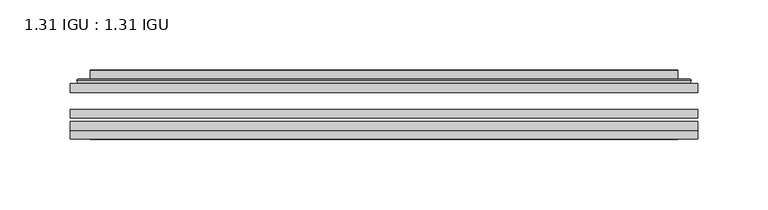
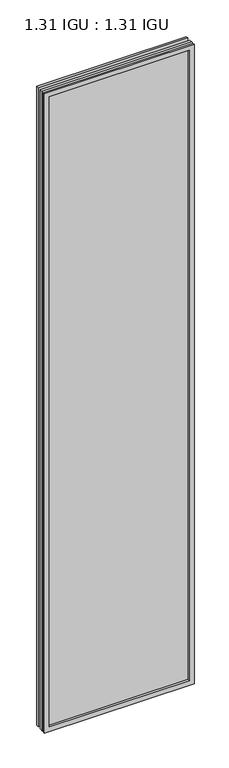
"""IFC4 building model written with IfcOpenShell, lengths in millimetres: plate geometry, 1.31 IGU : 1.31 IGU."""

import ifcopenshell
import ifcopenshell.guid

model = None  # the IFC model being written
_history = None  # IfcOwnerHistory: only IFC2X3 demands one
_inside = {}  # id of a spatial element -> (the spatial element, [elements in it])
_under = {}  # id of a project, library or spatial element -> (it, [spatial elements below it])
_declared = {}  # id of a project -> (the project, [libraries it declares])
_typed = {}  # id of a type object -> (the type object, [elements of that type])
_made_of = {}  # id of a material, layer set ... -> (it, [elements and type objects made of it])


def new_model(schema):
    """Start an empty IFC model of exactly this schema.

    Asked for "IFC4X3", IfcOpenShell would pick the latest addendum, in which some entities
    have other attributes; the version numbers below select the first issue.
    IFC2X3 requires an IfcOwnerHistory on every rooted entity: one is made here for all.
    """
    global model, _history
    if schema == "IFC4X3":
        model = ifcopenshell.file(schema_version=(4, 3, 0, 0))
    else:
        model = ifcopenshell.file(schema=schema)
    _inside.clear()
    _under.clear()
    _declared.clear()
    _typed.clear()
    _made_of.clear()
    _history = None
    if model.schema == "IFC2X3":
        org = make("IfcOrganization", Name="unknown")
        user = make(
            "IfcPersonAndOrganization",
            ThePerson=make("IfcPerson", FamilyName="unknown"),
            TheOrganization=org,
        )
        app = make(
            "IfcApplication",
            ApplicationDeveloper=org,
            Version="unknown",
            ApplicationFullName="unknown",
            ApplicationIdentifier="unknown",
        )
        _history = make(
            "IfcOwnerHistory",
            OwningUser=user,
            OwningApplication=app,
            ChangeAction="ADDED",
            CreationDate=0,
        )
    return model


def make(cls, **values):
    """One entity of the class cls with the attributes given. An attribute that is None is left unset."""
    return model.create_entity(
        cls, **{name: value for name, value in values.items() if value is not None}
    )


def rooted(cls, **values):
    """An entity with a GlobalId (a new one), such as an element, a storey or a relation."""
    return make(cls, GlobalId=ifcopenshell.guid.new(), OwnerHistory=_history, **values)


def si_unit(unit_type, name, prefix=None):
    """IfcSIUnit, for example si_unit("LENGTHUNIT", "METRE", prefix="MILLI")."""
    return make("IfcSIUnit", UnitType=unit_type, Prefix=prefix, Name=name)


def assignment(units):
    """IfcUnitAssignment: the units of a project."""
    return None if units is None else make("IfcUnitAssignment", Units=units)


def point(xyz):
    """IfcCartesianPoint."""
    return None if xyz is None else make("IfcCartesianPoint", Coordinates=xyz)


def direction(xyz):
    """IfcDirection."""
    return None if xyz is None else make("IfcDirection", DirectionRatios=xyz)


def frame(location, z_axis=None, x_axis=None):
    """IfcAxis2Placement3D, a coordinate frame: its origin and axes. An axis left out is left unset."""
    return make(
        "IfcAxis2Placement3D",
        Location=point(location),
        Axis=direction(z_axis),
        RefDirection=direction(x_axis),
    )


def origin():
    """The frame at (0, 0, 0) with its axes left unset."""
    return frame((0.0, 0.0, 0.0))


def place(relative_to, where):
    """IfcLocalPlacement: puts the frame where relative to a parent placement (None: the world)."""
    return make(
        "IfcLocalPlacement", PlacementRelTo=relative_to, RelativePlacement=where
    )


def context(
    kind, dimensions, precision=None, world=None, true_north=None, identifier=None
):
    """IfcGeometricRepresentationContext, for example the 3D "Model" context."""
    return make(
        "IfcGeometricRepresentationContext",
        ContextIdentifier=identifier,
        ContextType=kind,
        CoordinateSpaceDimension=dimensions,
        Precision=precision,
        WorldCoordinateSystem=world,
        TrueNorth=true_north,
    )


def project(units=None, contexts=None):
    """IfcProject with its units and contexts."""
    return rooted(
        "IfcProject",
        Name="project",
        RepresentationContexts=contexts,
        UnitsInContext=assignment(units),
    )


def spatial(cls, under=None, at=None, **own):
    """A site, building, storey or space (cls), placed at a placement, below another one or the project."""
    s = rooted(cls, ObjectPlacement=at, **own)
    if under is not None:
        _under.setdefault(under.id(), (under, []))[1].append(s)
    return s


def polyline(points):
    """IfcPolyline through the points."""
    return make("IfcPolyline", Points=[point(p) for p in points])


def ellipse_curve(where, semi_axis1, semi_axis2):
    """IfcEllipse in the frame where."""
    return make(
        "IfcEllipse", Position=where, SemiAxis1=semi_axis1, SemiAxis2=semi_axis2
    )


def outline(outer, holes=None, kind="AREA"):
    """IfcArbitraryClosedProfileDef: a profile drawn as a closed curve; with holes, ...WithVoids."""
    if holes is None:
        return make("IfcArbitraryClosedProfileDef", ProfileType=kind, OuterCurve=outer)
    return make(
        "IfcArbitraryProfileDefWithVoids",
        ProfileType=kind,
        OuterCurve=outer,
        InnerCurves=holes,
    )


def extrude(swept, where, along, depth):
    """IfcExtrudedAreaSolid: the profile swept, set in the frame where, extruded along a direction by depth."""
    return make(
        "IfcExtrudedAreaSolid",
        SweptArea=swept,
        Position=where,
        ExtrudedDirection=direction(along),
        Depth=depth,
    )


def faces_of(points, faces, orient=None, outer=None):
    """IfcFace entities. A face is a list of loops; a loop is a list of indices into points, from 0.

    orient and outer hold one flag for each loop. By default every Orientation is true, the
    first loop of a face is its IfcFaceOuterBound and the others are IfcFaceBound.
    """
    made = []
    for i, loops in enumerate(faces):
        bounds = []
        for j, loop in enumerate(loops):
            is_outer = j == 0 if outer is None else outer[i][j]
            bounds.append(
                make(
                    "IfcFaceOuterBound" if is_outer else "IfcFaceBound",
                    Bound=make("IfcPolyLoop", Polygon=[points[k] for k in loop]),
                    Orientation=True if orient is None else orient[i][j],
                )
            )
        made.append(make("IfcFace", Bounds=bounds))
    return made


def faceted_brep(points, faces, orient=None, outer=None, voids=None):
    """IfcFacetedBrep: a solid bounded by flat faces; with voids (closed shells), ...WithVoids."""
    shared = [point(p) for p in points]
    hull = make("IfcClosedShell", CfsFaces=faces_of(shared, faces, orient, outer))
    if voids is None:
        return make("IfcFacetedBrep", Outer=hull)
    return make(
        "IfcFacetedBrepWithVoids",
        Outer=hull,
        Voids=[
            make(cls, CfsFaces=faces_of(shared, fs, o, b)) for cls, fs, o, b in voids
        ],
    )


def shape(context_of_items, identifier, shape_type, items):
    """IfcShapeRepresentation: the items that make up one representation, for example the "Body"."""
    return make(
        "IfcShapeRepresentation",
        ContextOfItems=context_of_items,
        RepresentationIdentifier=identifier,
        RepresentationType=shape_type,
        Items=items,
    )


def source(mapping_origin, context_of_items, identifier, shape_type, items):
    """IfcRepresentationMap: a shape defined once, which mapped items show again and again."""
    return make(
        "IfcRepresentationMap",
        MappingOrigin=mapping_origin,
        MappedRepresentation=shape(context_of_items, identifier, shape_type, items),
    )


def transform(
    local_origin,
    x_axis=None,
    y_axis=None,
    z_axis=None,
    scale=None,
    scale2=None,
    scale3=None,
    uniform=True,
):
    """IfcCartesianTransformationOperator3D, or its non-uniform kind. x_axis, y_axis, z_axis: its Axis1, 2, 3."""
    if uniform:
        return make(
            "IfcCartesianTransformationOperator3D",
            Axis1=direction(x_axis),
            Axis2=direction(y_axis),
            LocalOrigin=point(local_origin),
            Scale=scale,
            Axis3=direction(z_axis),
        )
    return make(
        "IfcCartesianTransformationOperator3DnonUniform",
        Axis1=direction(x_axis),
        Axis2=direction(y_axis),
        LocalOrigin=point(local_origin),
        Scale=scale,
        Axis3=direction(z_axis),
        Scale2=scale2,
        Scale3=scale3,
    )


def mapped(mapping_source, mapping_target):
    """IfcMappedItem: shows the shape of a source again, moved by a transform."""
    return make(
        "IfcMappedItem", MappingSource=mapping_source, MappingTarget=mapping_target
    )


def made_of(thing, what):
    """Note that an element or type object is made of a material, layer set ...; save() writes the relation."""
    if what is not None:
        _made_of.setdefault(what.id(), (what, []))[1].append(thing)
    return thing


def element(
    cls,
    number,
    at=None,
    inside=None,
    cuts=None,
    type_object=None,
    material=None,
    context=None,
    identifier="Body",
    shape_type=None,
    held_by="IfcProductDefinitionShape",
    body=None,
    shapes=None,
    **own,
):
    """One element of the class cls, such as IfcWall. Its Tag is "e" and its number.

    at: its placement. inside: the storey or other place that contains it. cuts: it is an
    opening in that element (IfcRelVoidsElement). A single representation is given by context,
    identifier, shape_type and body (its items); several are given by shapes. held_by: the class
    of the entity that holds the representations. save() writes the other relations.
    """
    e = rooted(cls, Tag="e%d" % number, ObjectPlacement=at, **own)
    if body is not None:
        shapes = [shape(context, identifier, shape_type, body)]
    if shapes is not None:
        e.Representation = make(held_by, Representations=shapes)
    if inside is not None:
        _inside.setdefault(inside.id(), (inside, []))[1].append(e)
    if cuts is not None:
        rooted(
            "IfcRelVoidsElement", RelatingBuildingElement=cuts, RelatedOpeningElement=e
        )
    if type_object is not None:
        _typed.setdefault(type_object.id(), (type_object, []))[1].append(e)
    return made_of(e, material)


def aggregate(whole, parts):
    """IfcRelAggregates: a whole, such as a stair, and the parts it consists of."""
    return rooted("IfcRelAggregates", RelatingObject=whole, RelatedObjects=parts)


def save(model, path):
    """Write the relations noted so far, then the file.

    IfcRelAggregates (storeys below a building ...), IfcRelContainedInSpatialStructure (elements
    in a storey), IfcRelDefinesByType, IfcRelAssociatesMaterial and IfcRelDeclares: one each for
    every whole, place, type object, material and project.
    """
    for whole, parts in _under.values():
        aggregate(whole, parts)
    for where, things in _inside.values():
        rooted(
            "IfcRelContainedInSpatialStructure",
            RelatedElements=things,
            RelatingStructure=where,
        )
    for kind, things in _typed.values():
        rooted("IfcRelDefinesByType", RelatedObjects=things, RelatingType=kind)
    for what, things in _made_of.values():
        rooted("IfcRelAssociatesMaterial", RelatedObjects=things, RelatingMaterial=what)
    for by, libraries in _declared.values():
        rooted("IfcRelDeclares", RelatingContext=by, RelatedDefinitions=libraries)
    model.write(path)


def plane_surface(at):
    """IfcPlane: the flat surface through the origin of the frame at, square to its z axis."""
    return make("IfcPlane", Position=at)


def cylinder_surface(at, radius):
    """IfcCylindricalSurface: all points at the distance radius from the z axis of the frame at."""
    return make("IfcCylindricalSurface", Position=at, Radius=radius)


def advanced_brep(points, edges, surfaces, faces):
    """IfcAdvancedBrep: a solid bounded by faces that lie on surfaces and meet in shared edges.

    An edge is (start, end): straight between two places in points (the first is 0);
    or (start, end, curve); or (start, end, curve, False) where it runs against its curve.
    A face is (place in surfaces, loops), or (place, loops, False) where it looks against
    its surface's normal. A loop lists edges by number (the first is 1), with a minus sign
    where the edge is run from its end to its start. The first loop is the outer one.
    """
    corners = [point(p) for p in points]
    vertices = [make("IfcVertexPoint", VertexGeometry=c) for c in corners]
    made = []
    for start, end, *more in edges:
        made.append(
            make(
                "IfcEdgeCurve",
                EdgeStart=vertices[start],
                EdgeEnd=vertices[end],
                EdgeGeometry=more[0] if more else make("IfcPolyline", Points=[corners[start], corners[end]]),
                SameSense=more[1] if len(more) > 1 else True,
            )
        )
    hull = []
    for where, loops, *sense in faces:
        bounds = []
        for j, loop in enumerate(loops):
            ring = [make("IfcOrientedEdge", EdgeElement=made[abs(k) - 1], Orientation=k > 0) for k in loop]
            bounds.append(
                make(
                    "IfcFaceOuterBound" if j == 0 else "IfcFaceBound",
                    Bound=make("IfcEdgeLoop", EdgeList=ring),
                    Orientation=True,
                )
            )
        hull.append(make("IfcAdvancedFace", Bounds=bounds, FaceSurface=surfaces[where], SameSense=sense[0] if sense else True))
    return make("IfcAdvancedBrep", Outer=make("IfcClosedShell", CfsFaces=hull))


def plate_1_31_igu_1_31_igu_44c7de9b(model_context):
    return source(origin(), model_context, "Body", "SolidModel", [
        extrude(outline(polyline([(223.851675, -63.2975937), (223.851675, -69.6475938), (-223.8375, -69.6475938), (-223.8375, -63.2975937), (223.851675, -63.2975937)])), frame((0.0, 0.0, -14.2875), z_axis=(0.0, 0.0, 1.0), x_axis=(1.0, 0.0, 0.0)), (0.0, 0.0, 1.0), 2022.4787979),
        extrude(outline(polyline([(-223.8375, -78.2835938), (-223.8375, -71.9330887), (223.851675, -71.9330887), (223.851675, -78.2835938), (-223.8375, -78.2835938)])), frame((0.0, 0.0, -14.2875), z_axis=(0.0, 0.0, 1.0), x_axis=(1.0, 0.0, 0.0)), (0.0, 0.0, 1.0), 2022.4787979),
        extrude(outline(polyline([(223.851675, -44.9587937), (223.851675, -51.3087938), (-223.8375, -51.3087938), (-223.8375, -44.9587937), (223.851675, -44.9587937)])), frame((0.0, 0.0, -14.2875), z_axis=(0.0, 0.0, 1.0), x_axis=(1.0, 0.0, 0.0)), (0.0, 0.0, 1.0), 2022.4787979),
        faceted_brep([(-223.8502, -84.6335937, 2008.2002), (-223.8502, -78.2835937, 2008.2002), (-223.8502, -78.2835937, -14.3002), (-223.8502, -84.6335937, -14.3002), (223.8502, -78.2835937, -14.3002), (223.8502, -84.6335937, -14.3002), (223.8502, -78.2835937, 2008.2002), (223.8502, -84.6335937, 2008.2002), (-208.6522559, -78.2835937, 0.8977441), (208.6522559, -78.2835937, 0.8977441), (208.6522559, -78.2835937, 1993.0022559), (-208.6522559, -78.2835937, 1993.0022559), (-209.5446902, -84.6335937, 1993.8946902), (209.5446902, -84.6335937, 1993.8946902), (209.5446902, -84.6335937, 0.0053098), (-209.5446902, -84.6335937, 0.0053098)], [[[0, 1, 2, 3]], [[3, 2, 4, 5]], [[5, 4, 6, 7]], [[1, 6, 4, 2], [8, 9, 10, 11]], [[7, 6, 1, 0]], [[3, 5, 7, 0], [12, 13, 14, 15]], [[11, 12, 15, 8]], [[8, 15, 14, 9]], [[9, 14, 13, 10]], [[10, 13, 12, 11]]]),
        advanced_brep(
        [(-216.596219, -44.9587937, 2000.946219), (-218.9504244, -42.9691271, 2003.3004244), (-218.9504244, -42.9691271, -9.4004244), (-216.596219, -44.9587937, -7.046219), (-207.5218939, -41.1187568, 1991.8718939), (-202.5870621, -44.9587937, 1986.9370621), (-202.5870621, -44.9587937, 6.9629379), (-207.5218939, -41.1187568, 2.0281061), (-208.5539217, -35.7215256, 1992.9039217), (-208.5539217, -35.7215256, 0.9960783), (-209.5445784, -35.3225507, 1993.8945784), (-209.5445784, -35.3225507, 0.0054216), (-209.5445784, -41.7837937, 1993.8945784), (-209.5445784, -41.7837937, 0.0054216), (-217.9486349, -41.7837937, 2002.2986349), (-217.9486349, -41.7837937, -8.3986349), (218.9504244, -42.9691271, -9.4004244), (216.596219, -44.9587937, -7.046219), (202.5870621, -44.9587937, 6.9629379), (207.5218939, -41.1187568, 2.0281061), (208.5539217, -35.7215256, 0.9960783), (209.5445784, -35.3225507, 0.0054216), (209.5445784, -41.7837937, 0.0054216), (217.9486349, -41.7837937, -8.3986349), (218.9504244, -42.9691271, 2003.3004244), (216.596219, -44.9587937, 2000.946219), (202.5870621, -44.9587937, 1986.9370621), (207.5218939, -41.1187568, 1991.8718939), (208.5539217, -35.7215256, 1992.9039217), (209.5445784, -35.3225507, 1993.8945784), (209.5445784, -41.7837937, 1993.8945784), (217.9486349, -41.7837937, 2002.2986349)],
        [
            (0, 1, ellipse_curve(frame((-216.596219, -42.5711937, 2000.946219), z_axis=(-0.7071067811865475, 0.0, -0.7071067811865475), x_axis=(-0.7071067811865474, 0.0, 0.7071067811865476)), 3.3765763, 2.3876)),
            (1, 2),
            (2, 3, ellipse_curve(frame((-216.596219, -42.5711937, -7.046219), z_axis=(-0.7071067811865475, 0.0, 0.7071067811865475), x_axis=(0.7071067811865474, 0.0, 0.7071067811865476)), 3.3765763, 2.3876)),
            (3, 0),
            (4, 5),
            (5, 6),
            (6, 7),
            (7, 4),
            (8, 4),
            (7, 9),
            (9, 8),
            (10, 8, ellipse_curve(frame((-209.1776219, -35.840786, 1993.5276219), z_axis=(-0.7071067811865475, 0.0, -0.7071067811865475), x_axis=(-0.7071067811865474, 0.0, 0.7071067811865476)), 0.8980256, 0.635)),
            (9, 11, ellipse_curve(frame((-209.1776219, -35.840786, 0.3723781), z_axis=(-0.7071067811865475, 0.0, 0.7071067811865475), x_axis=(0.7071067811865474, 0.0, 0.7071067811865476)), 0.8980256, 0.635)),
            (11, 10),
            (12, 10),
            (11, 13),
            (13, 12),
            (1, 14, ellipse_curve(frame((-217.9486349, -42.7997937, 2002.2986349), z_axis=(-0.7071067811865475, 0.0, -0.7071067811865475), x_axis=(-0.7071067811865474, 0.0, 0.7071067811865476)), 1.436841, 1.016)),
            (14, 15),
            (15, 2, ellipse_curve(frame((-217.9486349, -42.7997937, -8.3986349), z_axis=(-0.7071067811865475, 0.0, 0.7071067811865475), x_axis=(0.7071067811865474, 0.0, 0.7071067811865476)), 1.436841, 1.016)),
            (2, 16),
            (16, 17, ellipse_curve(frame((216.596219, -42.5711937, -7.046219), z_axis=(-0.7071067811865475, 0.0, -0.7071067811865475), x_axis=(-0.7071067811865476, 0.0, 0.7071067811865474)), 3.3765763, 2.3876)),
            (17, 3),
            (6, 18),
            (18, 19),
            (19, 7),
            (19, 20),
            (20, 9),
            (20, 21, ellipse_curve(frame((209.1776219, -35.840786, 0.3723781), z_axis=(-0.7071067811865475, 0.0, -0.7071067811865475), x_axis=(-0.7071067811865476, 0.0, 0.7071067811865474)), 0.8980256, 0.635)),
            (21, 11),
            (21, 22),
            (22, 13),
            (15, 23),
            (23, 16, ellipse_curve(frame((217.9486349, -42.7997937, -8.3986349), z_axis=(-0.7071067811865475, 0.0, -0.7071067811865475), x_axis=(-0.7071067811865476, 0.0, 0.7071067811865474)), 1.436841, 1.016)),
            (16, 24),
            (24, 25, ellipse_curve(frame((216.596219, -42.5711937, 2000.946219), z_axis=(0.7071067811865475, 0.0, -0.7071067811865475), x_axis=(-0.7071067811865474, 0.0, -0.7071067811865476)), 3.3765763, 2.3876)),
            (25, 17),
            (18, 26),
            (26, 27),
            (27, 19),
            (27, 28),
            (28, 20),
            (28, 29, ellipse_curve(frame((209.1776219, -35.840786, 1993.5276219), z_axis=(0.7071067811865475, 0.0, -0.7071067811865475), x_axis=(-0.7071067811865474, 0.0, -0.7071067811865476)), 0.8980256, 0.635)),
            (29, 21),
            (29, 30),
            (30, 22),
            (23, 31),
            (31, 24, ellipse_curve(frame((217.9486349, -42.7997937, 2002.2986349), z_axis=(0.7071067811865475, 0.0, -0.7071067811865475), x_axis=(-0.7071067811865474, 0.0, -0.7071067811865476)), 1.436841, 1.016)),
            (24, 1),
            (0, 25),
            (5, 26),
            (4, 27),
            (8, 28),
            (10, 29),
            (12, 30),
            (14, 31),
        ],
        [
            cylinder_surface(frame((-216.596219, -42.5711937, 2025.65), z_axis=(0.0, 0.0, 1.0), x_axis=(-1.0, 0.0, 0.0)), 2.3876),
            plane_surface(frame((-202.5870621, -44.9587937, 1986.9370621), z_axis=(0.6141233906514794, 0.7892100234124821, 0.0), x_axis=(0.0, 0.0, -1.0))),
            plane_surface(frame((-207.5218939, -41.1187568, 1991.8718939), z_axis=(0.9822050625507729, 0.18781164793386076, 0.0), x_axis=(0.0, 0.0, -1.0))),
            cylinder_surface(frame((-209.1776219, -35.840786, 2025.65), z_axis=(0.0, 0.0, 1.0), x_axis=(-1.0, 0.0, 0.0)), 0.635),
            plane_surface(frame((-209.5445784, -35.3225507, 1993.8945784), z_axis=(-1.0, 0.0, 0.0), x_axis=(0.0, 0.0, -1.0))),
            cylinder_surface(frame((-217.9486349, -42.7997937, 2025.65), z_axis=(0.0, 0.0, 1.0), x_axis=(-1.0, 0.0, 0.0)), 1.016),
            cylinder_surface(frame((-241.3, -42.5711937, -7.046219), z_axis=(-1.0, 0.0, 0.0), x_axis=(0.0, 0.0, -1.0)), 2.3876),
            plane_surface(frame((-202.5870621, -44.9587937, 6.9629379), z_axis=(0.0, 0.7892100234124841, 0.6141233906514768), x_axis=(1.0, 0.0, 0.0))),
            plane_surface(frame((-207.5218939, -41.1187568, 2.0281061), z_axis=(0.0, 0.18781164793386393, 0.9822050625507723), x_axis=(1.0, 0.0, 0.0))),
            cylinder_surface(frame((-241.3, -35.840786, 0.3723781), z_axis=(-1.0, 0.0, 0.0), x_axis=(0.0, 0.0, -1.0)), 0.635),
            plane_surface(frame((-209.5445784, -35.3225507, 0.0054216), z_axis=(0.0, 0.0, -1.0), x_axis=(1.0, 0.0, 0.0))),
            cylinder_surface(frame((-241.3, -42.7997937, -8.3986349), z_axis=(-1.0, 0.0, 0.0), x_axis=(0.0, 0.0, -1.0)), 1.016),
            cylinder_surface(frame((216.596219, -42.5711937, -31.75), z_axis=(0.0, 0.0, -1.0), x_axis=(1.0, 0.0, 0.0)), 2.3876),
            plane_surface(frame((202.5870621, -44.9587937, 6.9629379), z_axis=(-0.6141233906514743, 0.7892100234124861, 0.0), x_axis=(0.0, 0.0, 1.0))),
            plane_surface(frame((207.5218939, -41.1187568, 2.0281061), z_axis=(-0.9822050625507718, 0.1878116479338671, 0.0), x_axis=(0.0, 0.0, 1.0))),
            cylinder_surface(frame((209.1776219, -35.840786, -31.75), z_axis=(0.0, 0.0, -1.0), x_axis=(1.0, 0.0, 0.0)), 0.635),
            plane_surface(frame((209.5445784, -35.3225507, 0.0054216), z_axis=(1.0, 0.0, 0.0), x_axis=(0.0, 0.0, 1.0))),
            cylinder_surface(frame((217.9486349, -42.7997937, -31.75), z_axis=(0.0, 0.0, -1.0), x_axis=(1.0, 0.0, 0.0)), 1.016),
            cylinder_surface(frame((241.3, -42.5711937, 2000.946219), z_axis=(1.0, 0.0, 0.0), x_axis=(0.0, 0.0, 1.0)), 2.3876),
            plane_surface(frame((216.596219, -44.9587937, 2000.946219), z_axis=(0.0, -1.0, 0.0), x_axis=(-1.0, 0.0, 0.0))),
            plane_surface(frame((202.5870621, -44.9587937, 1986.9370621), z_axis=(0.0, 0.7892100234124841, -0.6141233906514768), x_axis=(-1.0, 0.0, 0.0))),
            plane_surface(frame((207.5218939, -41.1187568, 1991.8718939), z_axis=(0.0, 0.18781164793386393, -0.9822050625507723), x_axis=(-1.0, 0.0, 0.0))),
            cylinder_surface(frame((241.3, -35.840786, 1993.5276219), z_axis=(1.0, 0.0, 0.0), x_axis=(0.0, 0.0, 1.0)), 0.635),
            plane_surface(frame((209.5445784, -35.3225507, 1993.8945784), z_axis=(0.0, 0.0, 1.0), x_axis=(-1.0, 0.0, 0.0))),
            plane_surface(frame((209.5445784, -41.7837937, 1993.8945784), z_axis=(0.0, 1.0, 0.0), x_axis=(-1.0, 0.0, 0.0))),
            cylinder_surface(frame((241.3, -42.7997937, 2002.2986349), z_axis=(1.0, 0.0, 0.0), x_axis=(0.0, 0.0, 1.0)), 1.016),
        ],
        [
            (0, [[1, 2, 3, 4]]),
            (1, [[5, 6, 7, 8]]),
            (2, [[9, -8, 10, 11]]),
            (3, [[12, -11, 13, 14]]),
            (4, [[15, -14, 16, 17]]),
            (5, [[18, 19, 20, -2]]),
            (6, [[-3, 21, 22, 23]]),
            (7, [[-7, 24, 25, 26]]),
            (8, [[-10, -26, 27, 28]]),
            (9, [[-13, -28, 29, 30]]),
            (10, [[-16, -30, 31, 32]]),
            (11, [[-20, 33, 34, -21]]),
            (12, [[-22, 35, 36, 37]]),
            (13, [[-25, 38, 39, 40]]),
            (14, [[-27, -40, 41, 42]]),
            (15, [[-29, -42, 43, 44]]),
            (16, [[-31, -44, 45, 46]]),
            (17, [[-34, 47, 48, -35]]),
            (18, [[-36, 49, -1, 50]]),
            (19, [[-23, -37, -50, -4], [51, -38, -24, -6]]),
            (20, [[-39, -51, -5, 52]]),
            (21, [[-41, -52, -9, 53]]),
            (22, [[-43, -53, -12, 54]]),
            (23, [[-45, -54, -15, 55]]),
            (24, [[56, -47, -33, -19], [-32, -46, -55, -17]]),
            (25, [[-48, -56, -18, -49]]),
        ],
    ),
    ])


if __name__ == "__main__":
    model = new_model("IFC4")
    model_context = context("Model", 3, world=origin())
    ifc_project = project(units=[si_unit("LENGTHUNIT", "METRE", prefix="MILLI")], contexts=[model_context])
    site = spatial("IfcSite", under=ifc_project)
    building = spatial("IfcBuilding", under=site)
    placement = place(None, origin())
    plate_1_31_igu_1_31_igu_shape = plate_1_31_igu_1_31_igu_44c7de9b(model_context)
    element("IfcPlate", 1, ObjectType="1.31 IGU : 1.31 IGU", at=placement, inside=building, context=model_context, shape_type="MappedRepresentation", body=[
        mapped(plate_1_31_igu_1_31_igu_shape, transform((0.0, 0.0, 0.0), x_axis=(1.0, 0.0, 0.0), y_axis=(0.0, 1.0, 0.0), z_axis=(0.0, 0.0, 1.0))),
    ])
    save(model, "model.ifc")
